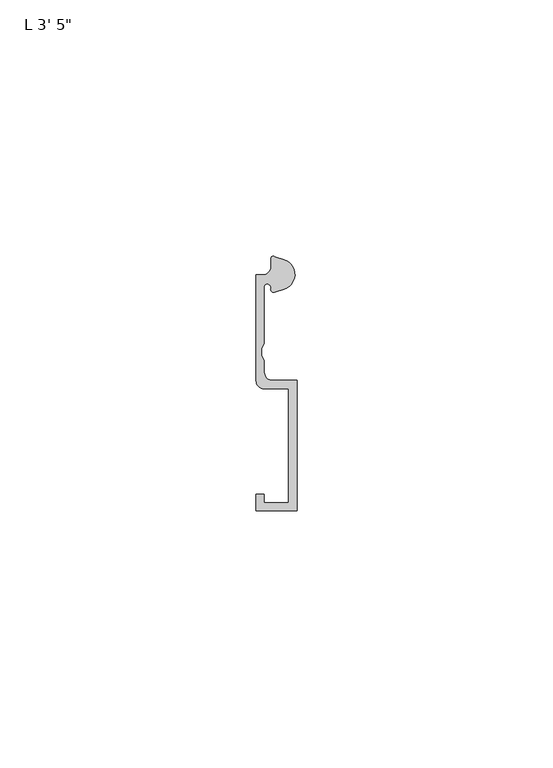
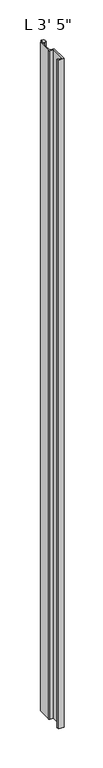
"""IFC4 building model written with IfcOpenShell, lengths in millimetres: proxy geometry."""

from ifc_helpers import new_model, si_unit, point, frame_2d, origin, origin_with_axes, place, context, project, spatial, polyline, circle_curve, trimmed, segment, composite_curve, outline, extrude, source, transform, mapped, element, save


def proxy_be87e6b7(model_context):
    return source(origin(), model_context, "Body", "SweptSolid", [
        extrude(outline(composite_curve([segment(trimmed(circle_curve(frame_2d((4.5018192, -3.531999)), 3.048), [point((5.4099313, -0.6224223))], [point((7.1037699, -1.944499))], False, "CARTESIAN"), True, "CONTINUOUS"), segment(trimmed(circle_curve(frame_2d((4.5018192, -3.531999)), 3.048), [point((7.1037699, -1.944499))], [point((5.4099313, -6.4415757))], False, "CARTESIAN"), True, "CONTINUOUS"), segment(polyline([(5.4099313, -6.4415757), (3.6135887, -7.0022347)]), True, "CONTINUOUS"), segment(trimmed(circle_curve(frame_2d((3.4254762, -6.4635334)), 0.5706009), [point((3.6135887, -7.0022347))], [point((2.8720827, -6.3244611))], False, "CARTESIAN"), True, "CONTINUOUS"), segment(trimmed(circle_curve(frame_2d((2.1330622, -6.1387392)), 0.762), [point((2.8720827, -6.3244611))], [point((2.1123834, -5.3770198))], True, "CARTESIAN"), True, "CONTINUOUS"), segment(trimmed(circle_curve(frame_2d((2.0955, -5.8847392)), 0.508), [point((2.1123834, -5.3770198))], [point((1.5875, -5.8847392))], True, "CARTESIAN"), True, "CONTINUOUS"), segment(polyline([(1.5875, -5.8847392), (1.5875, -17.0723512), (1.0783361, -17.9897709), (1.0783361, -19.3299316), (1.5875, -20.2473512), (1.5875, -22.6259797)]), True, "CONTINUOUS"), segment(trimmed(circle_curve(frame_2d((3.175, -22.6259797)), 1.5875), [point((1.5875, -22.6259797))], [point((3.175, -24.2134797))], True, "CARTESIAN"), True, "CONTINUOUS"), segment(polyline([(3.175, -24.2134797), (7.9375, -24.2134797), (7.9375, -49.6175641), (0.0, -49.6175641), (0.0, -46.4425641), (1.5875, -46.4425641), (1.5875, -48.0300641), (6.35, -48.0300641), (6.35, -25.8237392), (1.5875, -25.8237392)]), True, "CONTINUOUS"), segment(trimmed(circle_curve(frame_2d((1.5875, -24.2362392)), 1.5875), [point((1.5875, -25.8237392))], [point((0.0, -24.2362392))], False, "CARTESIAN"), True, "CONTINUOUS"), segment(polyline([(0.0, -24.2362392), (0.0, -3.5987392), (1.3075622, -3.5987392)]), True, "CONTINUOUS"), segment(trimmed(circle_curve(frame_2d((1.3075622, -2.0112392)), 1.5875), [point((1.3075622, -3.5987392))], [point((2.8950622, -2.0112392))], True, "CARTESIAN"), True, "CONTINUOUS"), segment(polyline([(2.8950622, -2.0112392), (2.8950622, -0.4696291)]), True, "CONTINUOUS"), segment(trimmed(circle_curve(frame_2d((3.3646912, -0.4696291)), 0.4696291), [point((2.8950622, -0.4696291))], [point((3.5749842, -0.0497144))], False, "CARTESIAN"), True, "CONTINUOUS"), segment(polyline([(3.5749842, -0.0497144), (5.4099313, -0.6224223)]), True, "CONTINUOUS")], self_intersect=False)), origin_with_axes(), (0.0, 0.0, 1.0), 1041.4),
    ])


if __name__ == "__main__":
    model = new_model("IFC4")
    model_context = context("Model", 3, world=origin())
    ifc_project = project(units=[si_unit("LENGTHUNIT", "METRE", prefix="MILLI")], contexts=[model_context])
    site = spatial("IfcSite", under=ifc_project)
    building = spatial("IfcBuilding", under=site)
    placement = place(None, origin())
    proxy_shape = proxy_be87e6b7(model_context)
    element("IfcBuildingElementProxy", 1, Name="L 3' 5\"", ObjectType="L 3' 5\"", at=placement, inside=building, context=model_context, shape_type="MappedRepresentation", body=[
        mapped(proxy_shape, transform((0.0, 0.0, 0.0), x_axis=(1.0, 0.0, 0.0), y_axis=(0.0, 1.0, 0.0), z_axis=(0.0, 0.0, 1.0))),
    ])
    save(model, "model.ifc")
